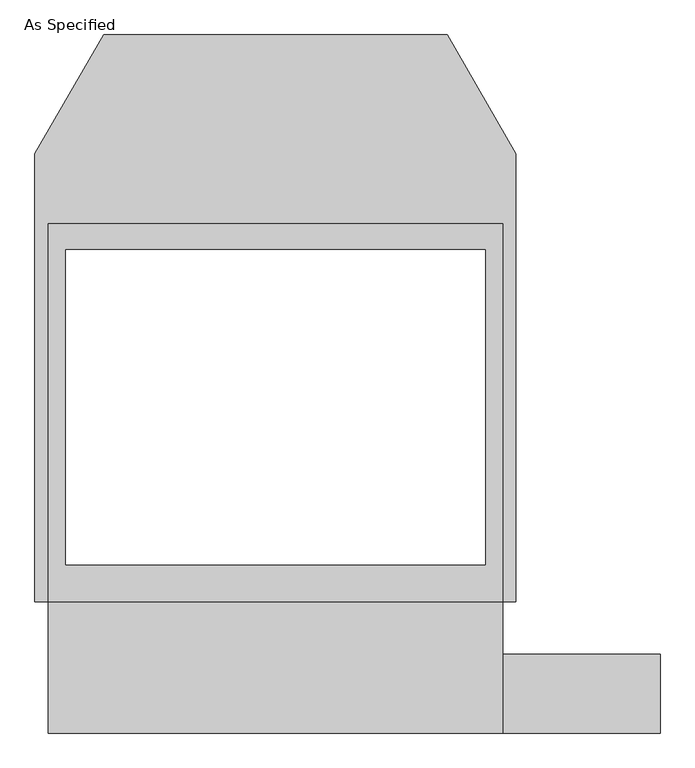
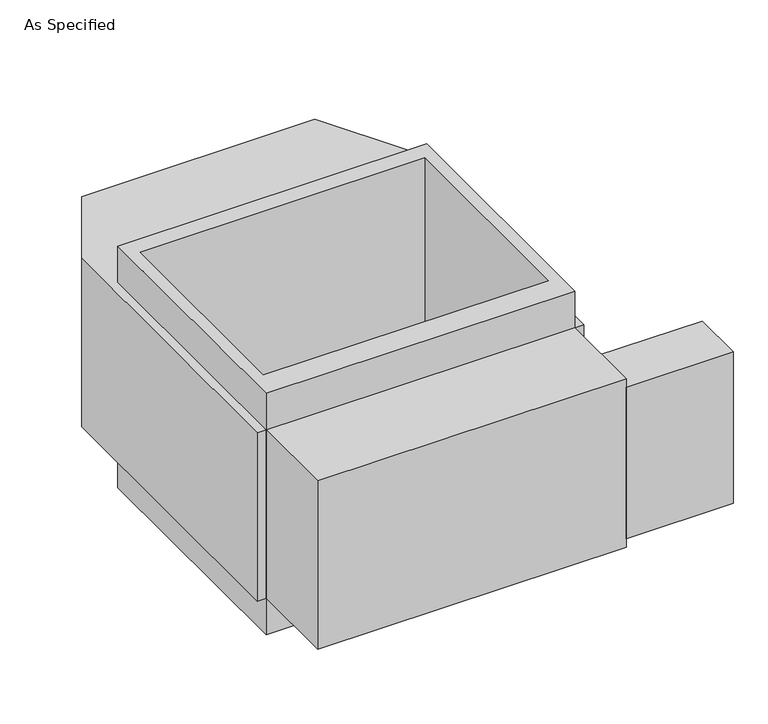
"""IFC4 building model written with IfcOpenShell, lengths in millimetres: proxy geometry, As Specified."""

from ifc_helpers import new_model, si_unit, frame, origin, place, context, project, spatial, polyline, outline, extrude, source, transform, mapped, element, save


def as_specified_8a942354(model_context):
    return source(origin(), model_context, "Body", "SweptSolid", [
        extrude(outline(polyline([(660.4, -1014.1148438), (660.4, -785.5148438), (1117.6, -785.5148438), (1117.6, -1014.1148438), (660.4, -1014.1148438)])), frame((0.0, 0.0, -749.3), z_axis=(0.0, 0.0, 1.0), x_axis=(1.0, 0.0, 0.0)), (0.0, 0.0, 1.0), 685.8),
        extrude(outline(polyline([(660.4, 465.4351562), (660.4, -633.1148438), (-660.4, -633.1148438), (-660.4, 465.4351562), (660.4, 465.4351562)]), holes=[polyline([(-609.6, 389.2748437), (-609.6, -525.1251563), (609.6, -525.1251563), (609.6, 389.2748437), (-609.6, 389.2748437)])]), frame((0.0, 0.0, -952.5), z_axis=(0.0, 0.0, 1.0), x_axis=(1.0, 0.0, 0.0)), (0.0, 0.0, 1.0), 1092.2),
        extrude(outline(polyline([(660.4, -1014.1148438), (-660.4, -1014.1148438), (-660.4, -633.1148438), (-698.5, -633.1148438), (-698.5, 668.6748437), (-499.060123, 1014.1148437), (499.060123, 1014.1148437), (698.5, 668.6748437), (698.5, -633.1148438), (660.4, -633.1148438), (660.4, -1014.1148438)]), holes=[polyline([(609.6, -525.1251563), (609.6, 389.2748437), (-609.6, 389.2748437), (-609.6, -525.1251563), (609.6, -525.1251563)])]), frame((0.0, 0.0, -787.4), z_axis=(0.0, 0.0, 1.0), x_axis=(1.0, 0.0, 0.0)), (0.0, 0.0, 1.0), 762.0),
    ])


if __name__ == "__main__":
    model = new_model("IFC4")
    model_context = context("Model", 3, world=origin())
    ifc_project = project(units=[si_unit("LENGTHUNIT", "METRE", prefix="MILLI")], contexts=[model_context])
    site = spatial("IfcSite", under=ifc_project)
    building = spatial("IfcBuilding", under=site)
    placement = place(None, origin())
    as_specified_shape = as_specified_8a942354(model_context)
    element("IfcBuildingElementProxy", 1, Name="As Specified", ObjectType="As Specified", at=placement, inside=building, context=model_context, shape_type="MappedRepresentation", body=[
        mapped(as_specified_shape, transform((0.0, 0.0, 0.0), x_axis=(1.0, 0.0, 0.0), y_axis=(0.0, 1.0, 0.0), z_axis=(0.0, 0.0, 1.0))),
    ])
    save(model, "model.ifc")
